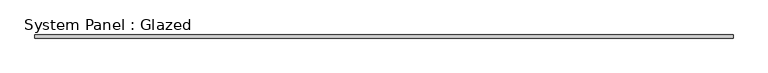
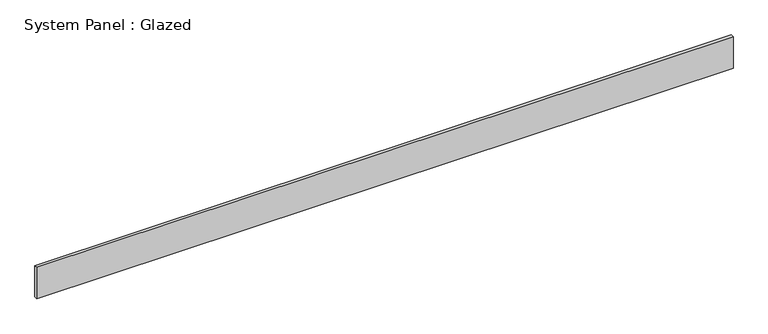
"""IFC4 building model written with IfcOpenShell, lengths in millimetres: plate geometry, System Panel : Glazed."""

from ifc_helpers import new_model, si_unit, origin, origin_with_axes, place, context, project, spatial, polyline, outline, extrude, source, transform, mapped, element, save


def system_panel_glazed_68567502(model_context):
    return source(origin(), model_context, "Body", "SweptSolid", [
        extrude(outline(polyline([(2863.85, 19.05), (-2863.85, 19.05), (-2863.85, 44.45), (2863.85, 44.45), (2863.85, 19.05)])), origin_with_axes(), (0.0, 0.0, 1.0), 273.05),
    ])


if __name__ == "__main__":
    model = new_model("IFC4")
    model_context = context("Model", 3, world=origin())
    ifc_project = project(units=[si_unit("LENGTHUNIT", "METRE", prefix="MILLI")], contexts=[model_context])
    site = spatial("IfcSite", under=ifc_project)
    building = spatial("IfcBuilding", under=site)
    placement = place(None, origin())
    system_panel_glazed_shape = system_panel_glazed_68567502(model_context)
    element("IfcPlate", 1, ObjectType="System Panel : Glazed", at=placement, inside=building, context=model_context, shape_type="MappedRepresentation", body=[
        mapped(system_panel_glazed_shape, transform((0.0, 0.0, 0.0), x_axis=(1.0, 0.0, 0.0), y_axis=(0.0, 1.0, 0.0), z_axis=(0.0, 0.0, 1.0))),
    ])
    save(model, "model.ifc")
